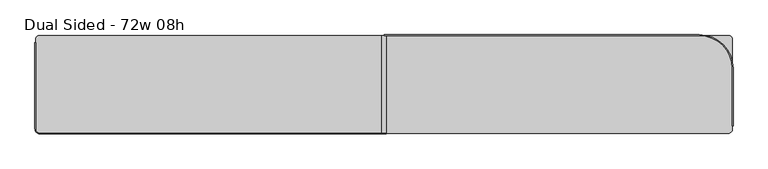
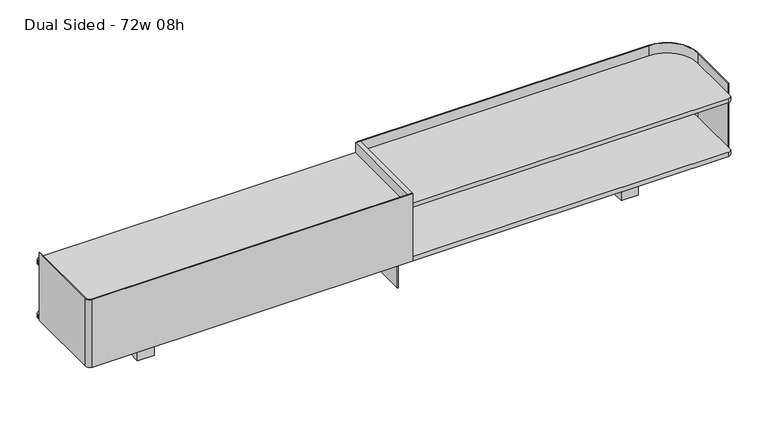
"""IFC4 building model written with IfcOpenShell, lengths in millimetres: furniture geometry, Dual Sided - 72w 08h."""

from ifc_helpers import new_model, si_unit, point, frame, frame_2d, origin, place, context, project, spatial, polyline, circle_curve, trimmed, segment, composite_curve, outline, extrude, source, transform, mapped, element, save


def dual_sided_72w_08h_868538f7(model_context):
    return source(origin(), model_context, "Body", "SweptSolid", [
        extrude(outline(polyline([(-661.5347229, -384.0697791), (-710.1146366, -384.0697791), (-710.1146366, -345.618458), (-661.5347229, -345.618458), (-661.5347229, -384.0697791)])), frame((0.0, 0.0, 736.6), z_axis=(0.0, 0.0, 1.0), x_axis=(1.0, 0.0, 0.0)), (0.0, 0.0, 1.0), 115.5192085),
        extrude(outline(polyline([(661.5347229, -384.0697791), (661.5347229, -345.618458), (710.1146366, -345.618458), (710.1146366, -384.0697791), (661.5347229, -384.0697791)])), frame((0.0, 0.0, 736.6), z_axis=(0.0, 0.0, 1.0), x_axis=(1.0, 0.0, 0.0)), (0.0, 0.0, 1.0), 115.5192085),
        extrude(outline(polyline([(1.5875, -433.3841935), (-1.5875, -433.3841935), (-1.5875, -296.8658065), (1.5875, -296.8658065), (1.5875, -433.3841935)])), frame((0.0, 0.0, 736.6), z_axis=(0.0, 0.0, 1.0), x_axis=(1.0, 0.0, 0.0)), (0.0, 0.0, 1.0), 115.5192085),
        extrude(outline(composite_curve([segment(trimmed(circle_curve(frame_2d((-901.7, -482.6)), 11.1125), [point((-912.8125, -482.6))], [point((-901.7, -493.7125))], True, "CARTESIAN"), True, "CONTINUOUS"), segment(polyline([(-901.7, -493.7125), (6.35, -493.7125), (6.35, -495.3), (-901.7, -495.3)]), True, "CONTINUOUS"), segment(trimmed(circle_curve(frame_2d((-901.7, -482.6)), 12.7), [point((-901.7, -495.3))], [point((-914.4, -482.6))], False, "CARTESIAN"), True, "CONTINUOUS"), segment(polyline([(-914.4, -482.6), (-914.4, -255.5875), (-912.8125, -255.5875), (-912.8125, -482.6)]), True, "CONTINUOUS")], self_intersect=False)), frame((0.0, 0.0, 852.1192085), z_axis=(0.0, 0.0, 1.0), x_axis=(1.0, 0.0, 0.0)), (0.0, 0.0, 1.0), 203.2),
        extrude(outline(composite_curve([segment(trimmed(circle_curve(frame_2d((825.5, -323.85)), 87.3125), [point((912.8125, -323.85))], [point((825.5, -236.5375))], True, "CARTESIAN"), True, "CONTINUOUS"), segment(polyline([(825.5, -236.5375), (0.0, -236.5375), (0.0, -234.95), (825.5, -234.95)]), True, "CONTINUOUS"), segment(trimmed(circle_curve(frame_2d((825.5, -323.85)), 88.9), [point((825.5, -234.95))], [point((914.4, -323.85))], False, "CARTESIAN"), True, "CONTINUOUS"), segment(polyline([(914.4, -323.85), (914.4, -474.6625), (912.8125, -474.6625), (912.8125, -323.85)]), True, "CONTINUOUS")], self_intersect=False)), frame((0.0, 0.0, 852.1192085), z_axis=(0.0, 0.0, 1.0), x_axis=(1.0, 0.0, 0.0)), (0.0, 0.0, 1.0), 203.2),
        extrude(outline(polyline([(6.35, -495.3), (-6.35, -495.3), (-6.35, -236.5375), (6.35, -236.5375), (6.35, -495.3)])), frame((0.0, 0.0, 864.8192327), z_axis=(0.0, 0.0, 1.0), x_axis=(1.0, 0.0, 0.0)), (0.0, 0.0, 1.0), 190.4999758),
        extrude(outline(composite_curve([segment(polyline([(901.7, -493.7125), (-901.7, -493.7125)]), True, "CONTINUOUS"), segment(trimmed(circle_curve(frame_2d((-901.7, -482.6)), 11.1125), [point((-901.7, -493.7125))], [point((-912.8125, -482.6))], False, "CARTESIAN"), True, "CONTINUOUS"), segment(polyline([(-912.8125, -482.6), (-912.8125, -247.65)]), True, "CONTINUOUS"), segment(trimmed(circle_curve(frame_2d((-901.7, -247.65)), 11.1125), [point((-912.8125, -247.65))], [point((-901.7, -236.5375))], False, "CARTESIAN"), True, "CONTINUOUS"), segment(polyline([(-901.7, -236.5375), (901.7, -236.5375)]), True, "CONTINUOUS"), segment(trimmed(circle_curve(frame_2d((901.7, -247.65)), 11.1125), [point((901.7, -236.5375))], [point((912.8125, -247.65))], False, "CARTESIAN"), True, "CONTINUOUS"), segment(polyline([(912.8125, -247.65), (912.8125, -482.6)]), True, "CONTINUOUS"), segment(trimmed(circle_curve(frame_2d((901.7, -482.6)), 11.1125), [point((912.8125, -482.6))], [point((901.7, -493.7125))], False, "CARTESIAN"), True, "CONTINUOUS")], self_intersect=False)), frame((0.0, 0.0, 1012.6471766), z_axis=(0.0, 0.0, 1.0), x_axis=(1.0, 0.0, 0.0)), (0.0, 0.0, 1.0), 12.7000242),
        extrude(outline(composite_curve([segment(polyline([(901.7, -493.7125), (-901.7, -493.7125)]), True, "CONTINUOUS"), segment(trimmed(circle_curve(frame_2d((-901.7, -482.6)), 11.1125), [point((-901.7, -493.7125))], [point((-912.8125, -482.6))], False, "CARTESIAN"), True, "CONTINUOUS"), segment(polyline([(-912.8125, -482.6), (-912.8125, -247.65)]), True, "CONTINUOUS"), segment(trimmed(circle_curve(frame_2d((-901.7, -247.65)), 11.1125), [point((-912.8125, -247.65))], [point((-901.7, -236.5375))], False, "CARTESIAN"), True, "CONTINUOUS"), segment(polyline([(-901.7, -236.5375), (901.7, -236.5375)]), True, "CONTINUOUS"), segment(trimmed(circle_curve(frame_2d((901.7, -247.65)), 11.1125), [point((901.7, -236.5375))], [point((912.8125, -247.65))], False, "CARTESIAN"), True, "CONTINUOUS"), segment(polyline([(912.8125, -247.65), (912.8125, -482.6)]), True, "CONTINUOUS"), segment(trimmed(circle_curve(frame_2d((901.7, -482.6)), 11.1125), [point((912.8125, -482.6))], [point((901.7, -493.7125))], False, "CARTESIAN"), True, "CONTINUOUS")], self_intersect=False)), frame((0.0, 0.0, 852.1192085), z_axis=(0.0, 0.0, 1.0), x_axis=(1.0, 0.0, 0.0)), (0.0, 0.0, 1.0), 12.7000242),
    ])


if __name__ == "__main__":
    model = new_model("IFC4")
    model_context = context("Model", 3, world=origin())
    ifc_project = project(units=[si_unit("LENGTHUNIT", "METRE", prefix="MILLI")], contexts=[model_context])
    site = spatial("IfcSite", under=ifc_project)
    building = spatial("IfcBuilding", under=site)
    placement = place(None, origin())
    dual_sided_72w_08h_shape = dual_sided_72w_08h_868538f7(model_context)
    element("IfcFurniture", 1, ObjectType="Dual Sided - 72w 08h", at=placement, inside=building, context=model_context, shape_type="MappedRepresentation", body=[
        mapped(dual_sided_72w_08h_shape, transform((0.0, 0.0, 0.0), x_axis=(1.0, 0.0, 0.0), y_axis=(0.0, 1.0, 0.0), z_axis=(0.0, 0.0, 1.0))),
    ])
    save(model, "model.ifc")
